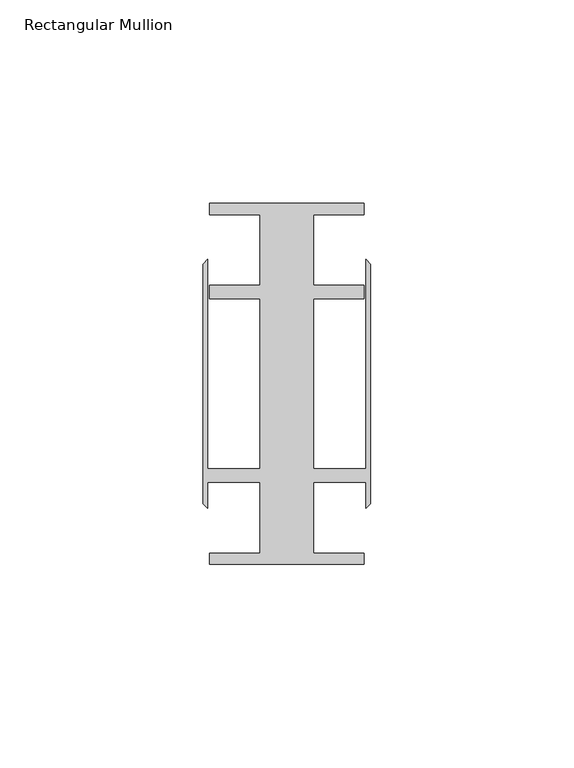
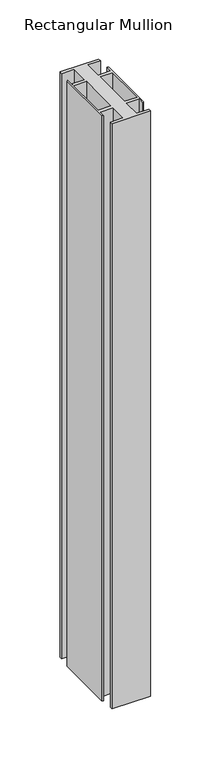
"""IFC4 building model written with IfcOpenShell, lengths in millimetres: member geometry, Rectangular Mullion."""

from ifc_helpers import new_model, si_unit, frame, origin, place, context, project, spatial, polyline, outline, extrude, source, transform, mapped, element, save


def rectangular_mullion_436d1568(model_context):
    return source(origin(), model_context, "Body", "SweptSolid", [
        extrude(outline(polyline([(-27.2375002, 41.6500013), (-39.6875, 41.6500013), (-39.6875, 44.45), (-1.5875, 44.45), (-1.5875, 41.6500013), (-14.0374998, 41.6500013), (-14.0374998, 24.2500008), (-1.5875, 24.2500008), (-1.5875, 20.9500007), (-14.0374998, 20.9500007), (-14.0374998, -20.9500007), (-1.1450898, -20.9500007), (-1.1450898, 30.6159585), (0.0, 29.4708687), (0.0, -29.4708687), (-1.1450898, -30.6159585), (-1.1450898, -24.2500008), (-14.0374998, -24.2500008), (-14.0374998, -41.6500013), (-1.5875, -41.6500013), (-1.5875, -44.45), (-39.6875, -44.45), (-39.6875, -41.6500013), (-27.2375002, -41.6500013), (-27.2375002, -24.2500008), (-40.1299102, -24.2500008), (-40.1299102, -30.6159585), (-41.275, -29.4708687), (-41.275, 29.4708687), (-40.1299102, 30.6159585), (-40.1299102, -20.9500007), (-27.2375002, -20.9500007), (-27.2375002, 20.9500007), (-39.6875, 20.9500007), (-39.6875, 24.2500008), (-27.2375002, 24.2500008), (-27.2375002, 41.6500013)])), frame((0.0, 0.0, -609.6), z_axis=(0.0, 0.0, 1.0), x_axis=(1.0, 0.0, 0.0)), (0.0, 0.0, 1.0), 609.6),
    ])


if __name__ == "__main__":
    model = new_model("IFC4")
    model_context = context("Model", 3, world=origin())
    ifc_project = project(units=[si_unit("LENGTHUNIT", "METRE", prefix="MILLI")], contexts=[model_context])
    site = spatial("IfcSite", under=ifc_project)
    building = spatial("IfcBuilding", under=site)
    placement = place(None, origin())
    rectangular_mullion_shape = rectangular_mullion_436d1568(model_context)
    element("IfcMember", 1, ObjectType="Rectangular Mullion", at=placement, inside=building, context=model_context, shape_type="MappedRepresentation", body=[
        mapped(rectangular_mullion_shape, transform((0.0, 0.0, 0.0), x_axis=(1.0, 0.0, 0.0), y_axis=(0.0, 1.0, 0.0), z_axis=(0.0, 0.0, 1.0))),
    ])
    save(model, "model.ifc")
